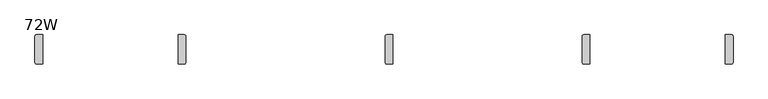
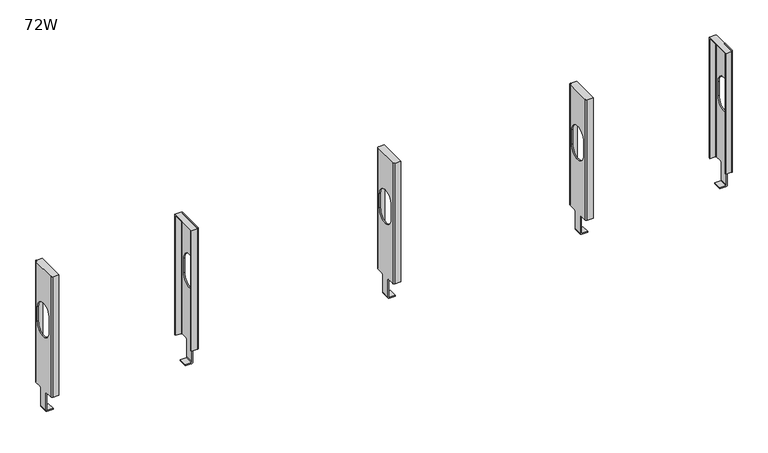
"""IFC4 building model written with IfcOpenShell, lengths in millimetres: furniture geometry, 72W."""

from ifc_helpers import new_model, si_unit, frame, origin, place, context, project, spatial, polyline, circle_curve, source, transform, mapped, element, save
from ifc_brep_helpers import plane_surface, cylinder_surface, revolved_surface, advanced_brep


def furniture_72w_48e65bd4(model_context):
    return source(origin(), model_context, "Body", "AdvancedBrep", [
        advanced_brep(
        [(936.4983333, -27.8130007, 112.7505942), (936.4983333, -27.8130007, 110.2105966), (921.512334, -27.8130007, 110.2105966), (917.4483333, -27.8130007, 114.2746018), (917.4483333, -27.8130007, 160.9597973), (919.9883309, -27.8130007, 160.9597973), (919.9883309, -27.8130007, 114.2746018), (921.512334, -27.8130007, 112.7505942), (936.4983333, -49.6569981, 112.7505942), (921.512334, -49.6569981, 112.7505942), (919.9883309, -49.6569981, 114.2746018), (919.9883309, -49.6569981, 160.9597973), (917.4483333, -49.6569981, 160.9597973), (917.4483333, -49.6569981, 114.2746018), (921.512334, -49.6569981, 110.2105966), (936.4983333, -49.6569981, 110.2105966), (919.9883309, -24.7650014, 164.0077944), (919.9883309, -6.2864997, 164.0077944), (919.9883309, -6.2864985, 487.9473667), (919.9883309, -71.1835002, 487.9473667), (919.9883309, -71.1835002, 164.0077944), (919.9883309, -52.7049997, 164.0077944), (919.9883309, -64.1349979, 370.457309), (919.9883309, -13.3349998, 370.457309), (919.9883309, -13.3349998, 332.4494726), (919.9883309, -64.1349979, 332.4494726), (917.4483333, -52.7049997, 164.0077944), (917.4483333, -71.1835002, 164.0077944), (917.4483333, -71.1835002, 488.2388031), (917.4483333, -6.2864997, 488.2388031), (917.4483333, -6.2864985, 164.0077944), (917.4483333, -24.7650014, 164.0077944), (917.4483333, -64.1349979, 370.457309), (917.4483333, -64.1349979, 332.4494726), (917.4483333, -13.3349998, 332.4494726), (917.4483333, -13.3349998, 370.457309), (921.512334, -2.2224979, 164.0077944), (936.4983333, -2.2224979, 164.0077944), (936.4983333, -4.7624955, 164.0077944), (921.512334, -4.7624955, 164.0077944), (921.512334, -75.2475009, 488.2388031), (936.4983333, -75.2475009, 488.2388031), (936.4983333, -2.2224979, 488.2388031), (921.512334, -2.2224979, 488.2388031), (921.512334, -72.7075033, 164.0077944), (936.4983333, -72.7075033, 164.0077944), (936.4983333, -75.2475009, 164.0077944), (921.512334, -75.2475009, 164.0077944), (921.512334, -72.7075033, 487.9473667), (936.4983333, -72.7075033, 487.9473667), (936.4983333, -4.7624955, 487.9473667), (921.512334, -4.7624955, 487.9473667)],
        [
            (0, 1),
            (1, 2),
            (2, 3, circle_curve(frame((921.512334, -27.8130007, 114.2745973), z_axis=(0.0, 1.0, 0.0), x_axis=(1.0, 0.0, 0.0)), 4.0640007)),
            (3, 4),
            (4, 5),
            (5, 6),
            (6, 7),
            (7, 0),
            (8, 9),
            (9, 10),
            (10, 11),
            (11, 12),
            (12, 13),
            (13, 14, circle_curve(frame((921.512334, -49.6569981, 114.2745973), z_axis=(0.0, -1.0, 0.0), x_axis=(1.0, 0.0, 0.0)), 4.0640007)),
            (14, 15),
            (15, 8),
            (7, 9),
            (8, 0),
            (6, 10),
            (1, 15),
            (14, 2),
            (5, 16),
            (16, 17),
            (17, 18),
            (18, 19),
            (19, 20),
            (20, 21),
            (21, 11),
            (22, 23, circle_curve(frame((919.9883309, -38.7349988, 370.457309), z_axis=(-1.0, 0.0, 0.0), x_axis=(0.0, -1.0, 0.0)), 25.3999991)),
            (23, 24),
            (24, 25, circle_curve(frame((919.9883309, -38.7349988, 332.4494726), z_axis=(-1.0, 0.0, 0.0), x_axis=(0.0, -1.0, 0.0)), 25.3999991)),
            (25, 22),
            (12, 26),
            (26, 27),
            (27, 28),
            (28, 29),
            (29, 30),
            (30, 31),
            (31, 4),
            (3, 13),
            (32, 33),
            (33, 34, circle_curve(frame((917.4483333, -38.7349988, 332.4494726), z_axis=(1.0, 0.0, 0.0), x_axis=(0.0, -1.0, 0.0)), 25.3999991)),
            (34, 35),
            (35, 32, circle_curve(frame((917.4483333, -38.7349988, 370.457309), z_axis=(1.0, 0.0, 0.0), x_axis=(0.0, -1.0, 0.0)), 25.3999991)),
            (31, 16),
            (30, 36, circle_curve(frame((921.512334, -6.2864985, 164.0077944), z_axis=(0.0, 0.0, -1.0), x_axis=(1.0, 0.0, 0.0)), 4.0640007)),
            (36, 37),
            (37, 38),
            (38, 39),
            (39, 17),
            (28, 40, circle_curve(frame((921.512334, -71.1835002, 488.2388031), z_axis=(0.0, 0.0, 1.0), x_axis=(1.0, 0.0, 0.0)), 4.0640007)),
            (40, 41),
            (41, 42),
            (42, 43),
            (43, 29, circle_curve(frame((921.512334, -6.2864985, 488.2388031), z_axis=(0.0, 0.0, 1.0), x_axis=(1.0, 0.0, 0.0)), 4.0640007)),
            (20, 44),
            (44, 45),
            (45, 46),
            (46, 47),
            (47, 27, circle_curve(frame((921.512334, -71.1835002, 164.0077944), z_axis=(0.0, 0.0, -1.0), x_axis=(1.0, 0.0, 0.0)), 4.0640007)),
            (26, 21),
            (23, 35),
            (34, 24),
            (25, 33),
            (32, 22),
            (44, 48),
            (48, 49),
            (49, 45),
            (19, 48),
            (46, 41),
            (40, 47),
            (49, 50),
            (50, 38),
            (37, 42),
            (50, 51),
            (51, 39),
            (51, 18),
            (36, 43),
        ],
        [
            plane_surface(frame((921.512334, -27.8130007, 112.7505942), z_axis=(0.0, 1.0, 0.0), x_axis=(1.0, 0.0, 0.0))),
            plane_surface(frame((921.512334, -49.6569981, 112.7505942), z_axis=(0.0, -1.0, 0.0), x_axis=(-1.0, 0.0, 0.0))),
            plane_surface(frame((936.4983333, -49.6569981, 112.7505942), z_axis=(0.0, 0.0, 1.0), x_axis=(0.0, 1.0, 0.0))),
            plane_surface(frame((921.512334, -49.6569981, 112.7505942), z_axis=(0.7071078348532698, 0.0, 0.7071057275182553), x_axis=(0.0, 1.0, 0.0))),
            plane_surface(frame((921.512334, -49.6569981, 110.2105966), z_axis=(0.0, 0.0, -1.0), x_axis=(0.0, 1.0, 0.0))),
            plane_surface(frame((936.4983333, -49.6569981, 110.2105966), z_axis=(1.0, 0.0, 0.0), x_axis=(0.0, 1.0, 0.0))),
            plane_surface(frame((919.9883309, -27.8130007, 114.2746018), z_axis=(1.0, 0.0, 0.0), x_axis=(0.0, 1.0, 0.0))),
            plane_surface(frame((917.4483333, -27.8130007, 114.2746018), z_axis=(-1.0, 0.0, 0.0), x_axis=(0.0, -1.0, 0.0))),
            plane_surface(frame((919.9883309, -27.8130007, 160.9597973), z_axis=(0.0, 0.7071065177685422, -0.7071070446044547), x_axis=(-1.0, 0.0, 0.0))),
            plane_surface(frame((919.9883309, -24.7650014, 164.0077944), z_axis=(0.0, 0.0, -1.0), x_axis=(-1.0, 0.0, 0.0))),
            plane_surface(frame((919.9883309, -6.2864997, 488.2388031), z_axis=(0.0, 0.0, 1.0), x_axis=(-1.0, 0.0, 0.0))),
            plane_surface(frame((919.9883309, -71.1835002, 164.0077944), z_axis=(0.0, 0.0, -1.0), x_axis=(-1.0, 0.0, 0.0))),
            plane_surface(frame((919.9883309, -52.7049997, 164.0077944), z_axis=(0.0, -0.707106254350635, -0.7071073080220677), x_axis=(-1.0, 0.0, 0.0))),
            plane_surface(frame((919.9883309, -13.3349998, 370.457309), z_axis=(0.0, -1.0, 0.0), x_axis=(-1.0, 0.0, 0.0))),
            plane_surface(frame((919.9883309, -64.1349979, 332.4494726), z_axis=(0.0, 1.0, 0.0), x_axis=(-1.0, 0.0, 0.0))),
            plane_surface(frame((936.4983333, -72.7075033, 488.2388031), z_axis=(0.0, 1.0, 0.0), x_axis=(0.0, 0.0, -1.0))),
            plane_surface(frame((921.512334, -72.7075033, 488.2388031), z_axis=(0.7071067811865476, 0.7071067811865476, 0.0), x_axis=(0.0, 0.0, -1.0))),
            plane_surface(frame((921.512334, -75.2475009, 488.2388031), z_axis=(0.0, -1.0, 0.0), x_axis=(0.0, 0.0, -1.0))),
            plane_surface(frame((936.4983333, -75.2475009, 488.2388031), z_axis=(1.0, 0.0, 0.0), x_axis=(0.0, 0.0, -1.0))),
            plane_surface(frame((921.512334, -4.7624955, 488.2388031), z_axis=(0.0, -1.0, 0.0), x_axis=(0.0, 0.0, -1.0))),
            plane_surface(frame((919.9883309, -6.2864985, 488.2388031), z_axis=(0.7071067811865422, -0.7071067811865528, 0.0), x_axis=(0.0, 0.0, -1.0))),
            plane_surface(frame((936.4983333, -2.2224979, 488.2388031), z_axis=(0.0, 1.0, 0.0), x_axis=(0.0, 0.0, -1.0))),
            plane_surface(frame((936.4983333, -72.7075033, 487.9473667), z_axis=(0.0, 0.0, -1.0), x_axis=(-1.0, 0.0, 0.0))),
            cylinder_surface(frame((921.512334, -71.1835002, 164.0077944), z_axis=(0.0, 0.0, 1.0), x_axis=(1.0, 0.0, 0.0)), 4.0640007),
            cylinder_surface(frame((921.512334, -6.2864985, 164.0077944), z_axis=(0.0, 0.0, 1.0), x_axis=(1.0, 0.0, 0.0)), 4.0640007),
            revolved_surface(polyline([(917.4483333, -64.1349979, 370.457309), (919.9883309, -64.1349979, 370.457309)]), (917.4483333, -38.7349988, 370.457309), (-1.0, 0.0, 0.0)),
            revolved_surface(polyline([(917.4483333, -64.1349979, 332.4494726), (919.9883309, -64.1349979, 332.4494726)]), (917.4483333, -38.7349988, 332.4494726), (-1.0, 0.0, 0.0)),
            cylinder_surface(frame((921.512334, -27.8130007, 114.2745973), z_axis=(0.0, -1.0, 0.0), x_axis=(1.0, 0.0, 0.0)), 4.0640007),
        ],
        [
            (0, [[1, 2, 3, 4, 5, 6, 7, 8]]),
            (1, [[9, 10, 11, 12, 13, 14, 15, 16]]),
            (2, [[-8, 17, -9, 18]]),
            (3, [[-7, 19, -10, -17]]),
            (4, [[-2, 20, -15, 21]]),
            (5, [[-1, -18, -16, -20]]),
            (6, [[-6, 22, 23, 24, 25, 26, 27, 28, -11, -19], [29, 30, 31, 32]]),
            (7, [[-13, 33, 34, 35, 36, 37, 38, 39, -4, 40], [41, 42, 43, 44]]),
            (8, [[-22, -5, -39, 45]]),
            (9, [[-23, -45, -38, 46, 47, 48, 49, 50]]),
            (10, [[-36, 51, 52, 53, 54, 55]]),
            (11, [[-27, 56, 57, 58, 59, 60, -34, 61]]),
            (12, [[-28, -61, -33, -12]]),
            (13, [[-30, 62, -43, 63]]),
            (14, [[-32, 64, -41, 65]]),
            (15, [[-57, 66, 67, 68]]),
            (16, [[-56, -26, 69, -66]]),
            (17, [[-59, 70, -52, 71]]),
            (18, [[-58, -68, 72, 73, -48, 74, -53, -70]]),
            (19, [[-49, -73, 75, 76]]),
            (20, [[-50, -76, 77, -24]]),
            (21, [[-47, 78, -54, -74]]),
            (22, [[-72, -67, -69, -25, -77, -75]]),
            (23, [[-60, -71, -51, -35]]),
            (24, [[-46, -37, -55, -78]]),
            (25, [[-29, -65, -44, -62]]),
            (26, [[-31, -63, -42, -64]]),
            (27, [[-3, -21, -14, -40]]),
        ],
    ),
        advanced_brep(
        [(1425.8293333, -27.8130007, 112.7505942), (1425.8293333, -27.8130007, 110.2105966), (1410.843334, -27.8130007, 110.2105966), (1406.7793333, -27.8130007, 114.2746018), (1406.7793333, -27.8130007, 160.9597973), (1409.3193309, -27.8130007, 160.9597973), (1409.3193309, -27.8130007, 114.2746018), (1410.843334, -27.8130007, 112.7505942), (1425.8293333, -49.6569981, 112.7505942), (1410.843334, -49.6569981, 112.7505942), (1409.3193309, -49.6569981, 114.2746018), (1409.3193309, -49.6569981, 160.9597973), (1406.7793333, -49.6569981, 160.9597973), (1406.7793333, -49.6569981, 114.2746018), (1410.843334, -49.6569981, 110.2105966), (1425.8293333, -49.6569981, 110.2105966), (1409.3193309, -24.7650014, 164.0077944), (1409.3193309, -6.2864997, 164.0077944), (1409.3193309, -6.2864985, 487.9473667), (1409.3193309, -71.1835002, 487.9473667), (1409.3193309, -71.1835002, 164.0077944), (1409.3193309, -52.7049997, 164.0077944), (1409.3193309, -64.1349979, 370.457309), (1409.3193309, -13.3349998, 370.457309), (1409.3193309, -13.3349998, 332.4494726), (1409.3193309, -64.1349979, 332.4494726), (1406.7793333, -52.7049997, 164.0077944), (1406.7793333, -71.1835002, 164.0077944), (1406.7793333, -71.1835002, 488.2388031), (1406.7793333, -6.2864997, 488.2388031), (1406.7793333, -6.2864985, 164.0077944), (1406.7793333, -24.7650014, 164.0077944), (1406.7793333, -64.1349979, 370.457309), (1406.7793333, -64.1349979, 332.4494726), (1406.7793333, -13.3349998, 332.4494726), (1406.7793333, -13.3349998, 370.457309), (1410.843334, -2.2224979, 164.0077944), (1425.8293333, -2.2224979, 164.0077944), (1425.8293333, -4.7624955, 164.0077944), (1410.843334, -4.7624955, 164.0077944), (1410.843334, -75.2475009, 488.2388031), (1425.8293333, -75.2475009, 488.2388031), (1425.8293333, -2.2224979, 488.2388031), (1410.843334, -2.2224979, 488.2388031), (1410.843334, -72.7075033, 164.0077944), (1425.8293333, -72.7075033, 164.0077944), (1425.8293333, -75.2475009, 164.0077944), (1410.843334, -75.2475009, 164.0077944), (1410.843334, -72.7075033, 487.9473667), (1425.8293333, -72.7075033, 487.9473667), (1425.8293333, -4.7624955, 487.9473667), (1410.843334, -4.7624955, 487.9473667)],
        [
            (0, 1),
            (1, 2),
            (2, 3, circle_curve(frame((1410.843334, -27.8130007, 114.2745973), z_axis=(0.0, 1.0, 0.0), x_axis=(1.0, 0.0, 0.0)), 4.0640007)),
            (3, 4),
            (4, 5),
            (5, 6),
            (6, 7),
            (7, 0),
            (8, 9),
            (9, 10),
            (10, 11),
            (11, 12),
            (12, 13),
            (13, 14, circle_curve(frame((1410.843334, -49.6569981, 114.2745973), z_axis=(0.0, -1.0, 0.0), x_axis=(1.0, 0.0, 0.0)), 4.0640007)),
            (14, 15),
            (15, 8),
            (7, 9),
            (8, 0),
            (6, 10),
            (1, 15),
            (14, 2),
            (5, 16),
            (16, 17),
            (17, 18),
            (18, 19),
            (19, 20),
            (20, 21),
            (21, 11),
            (22, 23, circle_curve(frame((1409.3193309, -38.7349988, 370.457309), z_axis=(-1.0, 0.0, 0.0), x_axis=(0.0, -1.0, 0.0)), 25.3999991)),
            (23, 24),
            (24, 25, circle_curve(frame((1409.3193309, -38.7349988, 332.4494726), z_axis=(-1.0, 0.0, 0.0), x_axis=(0.0, -1.0, 0.0)), 25.3999991)),
            (25, 22),
            (12, 26),
            (26, 27),
            (27, 28),
            (28, 29),
            (29, 30),
            (30, 31),
            (31, 4),
            (3, 13),
            (32, 33),
            (33, 34, circle_curve(frame((1406.7793333, -38.7349988, 332.4494726), z_axis=(1.0, 0.0, 0.0), x_axis=(0.0, -1.0, 0.0)), 25.3999991)),
            (34, 35),
            (35, 32, circle_curve(frame((1406.7793333, -38.7349988, 370.457309), z_axis=(1.0, 0.0, 0.0), x_axis=(0.0, -1.0, 0.0)), 25.3999991)),
            (31, 16),
            (30, 36, circle_curve(frame((1410.843334, -6.2864985, 164.0077944), z_axis=(0.0, 0.0, -1.0), x_axis=(1.0, 0.0, 0.0)), 4.0640007)),
            (36, 37),
            (37, 38),
            (38, 39),
            (39, 17),
            (28, 40, circle_curve(frame((1410.843334, -71.1835002, 488.2388031), z_axis=(0.0, 0.0, 1.0), x_axis=(1.0, 0.0, 0.0)), 4.0640007)),
            (40, 41),
            (41, 42),
            (42, 43),
            (43, 29, circle_curve(frame((1410.843334, -6.2864985, 488.2388031), z_axis=(0.0, 0.0, 1.0), x_axis=(1.0, 0.0, 0.0)), 4.0640007)),
            (20, 44),
            (44, 45),
            (45, 46),
            (46, 47),
            (47, 27, circle_curve(frame((1410.843334, -71.1835002, 164.0077944), z_axis=(0.0, 0.0, -1.0), x_axis=(1.0, 0.0, 0.0)), 4.0640007)),
            (26, 21),
            (23, 35),
            (34, 24),
            (25, 33),
            (32, 22),
            (44, 48),
            (48, 49),
            (49, 45),
            (19, 48),
            (46, 41),
            (40, 47),
            (49, 50),
            (50, 38),
            (37, 42),
            (50, 51),
            (51, 39),
            (51, 18),
            (36, 43),
        ],
        [
            plane_surface(frame((1410.843334, -27.8130007, 112.7505942), z_axis=(0.0, 1.0, 0.0), x_axis=(1.0, 0.0, 0.0))),
            plane_surface(frame((1410.843334, -49.6569981, 112.7505942), z_axis=(0.0, -1.0, 0.0), x_axis=(-1.0, 0.0, 0.0))),
            plane_surface(frame((1425.8293333, -49.6569981, 112.7505942), z_axis=(0.0, 0.0, 1.0), x_axis=(0.0, 1.0, 0.0))),
            plane_surface(frame((1410.843334, -49.6569981, 112.7505942), z_axis=(0.7071078348532698, 0.0, 0.7071057275182553), x_axis=(0.0, 1.0, 0.0))),
            plane_surface(frame((1410.843334, -49.6569981, 110.2105966), z_axis=(0.0, 0.0, -1.0), x_axis=(0.0, 1.0, 0.0))),
            plane_surface(frame((1425.8293333, -49.6569981, 110.2105966), z_axis=(1.0, 0.0, 0.0), x_axis=(0.0, 1.0, 0.0))),
            plane_surface(frame((1409.3193309, -27.8130007, 114.2746018), z_axis=(1.0, 0.0, 0.0), x_axis=(0.0, 1.0, 0.0))),
            plane_surface(frame((1406.7793333, -27.8130007, 114.2746018), z_axis=(-1.0, 0.0, 0.0), x_axis=(0.0, -1.0, 0.0))),
            plane_surface(frame((1409.3193309, -27.8130007, 160.9597973), z_axis=(0.0, 0.7071065177685422, -0.7071070446044547), x_axis=(-1.0, 0.0, 0.0))),
            plane_surface(frame((1409.3193309, -24.7650014, 164.0077944), z_axis=(0.0, 0.0, -1.0), x_axis=(-1.0, 0.0, 0.0))),
            plane_surface(frame((1409.3193309, -6.2864997, 488.2388031), z_axis=(0.0, 0.0, 1.0), x_axis=(-1.0, 0.0, 0.0))),
            plane_surface(frame((1409.3193309, -71.1835002, 164.0077944), z_axis=(0.0, 0.0, -1.0), x_axis=(-1.0, 0.0, 0.0))),
            plane_surface(frame((1409.3193309, -52.7049997, 164.0077944), z_axis=(0.0, -0.707106254350635, -0.7071073080220677), x_axis=(-1.0, 0.0, 0.0))),
            plane_surface(frame((1409.3193309, -13.3349998, 370.457309), z_axis=(0.0, -1.0, 0.0), x_axis=(-1.0, 0.0, 0.0))),
            plane_surface(frame((1409.3193309, -64.1349979, 332.4494726), z_axis=(0.0, 1.0, 0.0), x_axis=(-1.0, 0.0, 0.0))),
            plane_surface(frame((1425.8293333, -72.7075033, 488.2388031), z_axis=(0.0, 1.0, 0.0), x_axis=(0.0, 0.0, -1.0))),
            plane_surface(frame((1410.843334, -72.7075033, 488.2388031), z_axis=(0.7071067811865476, 0.7071067811865476, 0.0), x_axis=(0.0, 0.0, -1.0))),
            plane_surface(frame((1410.843334, -75.2475009, 488.2388031), z_axis=(0.0, -1.0, 0.0), x_axis=(0.0, 0.0, -1.0))),
            plane_surface(frame((1425.8293333, -75.2475009, 488.2388031), z_axis=(1.0, 0.0, 0.0), x_axis=(0.0, 0.0, -1.0))),
            plane_surface(frame((1410.843334, -4.7624955, 488.2388031), z_axis=(0.0, -1.0, 0.0), x_axis=(0.0, 0.0, -1.0))),
            plane_surface(frame((1409.3193309, -6.2864985, 488.2388031), z_axis=(0.7071067811865422, -0.7071067811865528, 0.0), x_axis=(0.0, 0.0, -1.0))),
            plane_surface(frame((1425.8293333, -2.2224979, 488.2388031), z_axis=(0.0, 1.0, 0.0), x_axis=(0.0, 0.0, -1.0))),
            plane_surface(frame((1425.8293333, -72.7075033, 487.9473667), z_axis=(0.0, 0.0, -1.0), x_axis=(-1.0, 0.0, 0.0))),
            cylinder_surface(frame((1410.843334, -71.1835002, 164.0077944), z_axis=(0.0, 0.0, 1.0), x_axis=(1.0, 0.0, 0.0)), 4.0640007),
            cylinder_surface(frame((1410.843334, -6.2864985, 164.0077944), z_axis=(0.0, 0.0, 1.0), x_axis=(1.0, 0.0, 0.0)), 4.0640007),
            revolved_surface(polyline([(1406.7793333, -64.1349979, 370.457309), (1409.3193309, -64.1349979, 370.457309)]), (1406.7793333, -38.7349988, 370.457309), (-1.0, 0.0, 0.0)),
            revolved_surface(polyline([(1406.7793333, -64.1349979, 332.4494726), (1409.3193309, -64.1349979, 332.4494726)]), (1406.7793333, -38.7349988, 332.4494726), (-1.0, 0.0, 0.0)),
            cylinder_surface(frame((1410.843334, -27.8130007, 114.2745973), z_axis=(0.0, -1.0, 0.0), x_axis=(1.0, 0.0, 0.0)), 4.0640007),
        ],
        [
            (0, [[1, 2, 3, 4, 5, 6, 7, 8]]),
            (1, [[9, 10, 11, 12, 13, 14, 15, 16]]),
            (2, [[-8, 17, -9, 18]]),
            (3, [[-7, 19, -10, -17]]),
            (4, [[-2, 20, -15, 21]]),
            (5, [[-1, -18, -16, -20]]),
            (6, [[-6, 22, 23, 24, 25, 26, 27, 28, -11, -19], [29, 30, 31, 32]]),
            (7, [[-13, 33, 34, 35, 36, 37, 38, 39, -4, 40], [41, 42, 43, 44]]),
            (8, [[-22, -5, -39, 45]]),
            (9, [[-23, -45, -38, 46, 47, 48, 49, 50]]),
            (10, [[-36, 51, 52, 53, 54, 55]]),
            (11, [[-27, 56, 57, 58, 59, 60, -34, 61]]),
            (12, [[-28, -61, -33, -12]]),
            (13, [[-30, 62, -43, 63]]),
            (14, [[-32, 64, -41, 65]]),
            (15, [[-57, 66, 67, 68]]),
            (16, [[-56, -26, 69, -66]]),
            (17, [[-59, 70, -52, 71]]),
            (18, [[-58, -68, 72, 73, -48, 74, -53, -70]]),
            (19, [[-49, -73, 75, 76]]),
            (20, [[-50, -76, 77, -24]]),
            (21, [[-47, 78, -54, -74]]),
            (22, [[-72, -67, -69, -25, -77, -75]]),
            (23, [[-60, -71, -51, -35]]),
            (24, [[-46, -37, -55, -78]]),
            (25, [[-29, -65, -44, -62]]),
            (26, [[-31, -63, -42, -64]]),
            (27, [[-3, -21, -14, -40]]),
        ],
    ),
        advanced_brep(
        [(1762.3790014, -27.8130007, 112.7505942), (1777.3650008, -27.8130007, 112.7505942), (1778.8890039, -27.8130007, 114.2746018), (1778.8890039, -27.8130007, 160.9597973), (1781.4290014, -27.8130007, 160.9597973), (1781.4290014, -27.8130007, 114.2746018), (1777.3650008, -27.8130007, 110.2105966), (1762.3790014, -27.8130007, 110.2105966), (1762.3790014, -49.6569981, 112.7505942), (1762.3790014, -49.6569981, 110.2105966), (1777.3650008, -49.6569981, 110.2105966), (1781.4290014, -49.6569981, 114.2746018), (1781.4290014, -49.6569981, 160.9597973), (1778.8890039, -49.6569981, 160.9597973), (1778.8890039, -49.6569981, 114.2746018), (1777.3650008, -49.6569981, 112.7505942), (1778.8890039, -52.7049997, 164.0077944), (1778.8890039, -71.1835002, 164.0077944), (1778.8890039, -71.1835002, 487.9473667), (1778.8890039, -6.2864985, 487.9473667), (1778.8890039, -6.2864985, 164.0077944), (1778.8890039, -24.7650014, 164.0077944), (1778.8890039, -64.1349979, 370.457309), (1778.8890039, -64.1349979, 332.4494726), (1778.8890039, -13.3349998, 332.4494726), (1778.8890039, -13.3349998, 370.457309), (1781.4290014, -24.7650014, 164.0077944), (1781.4290014, -6.2864997, 164.0077944), (1781.4290014, -6.2864985, 488.2388031), (1781.4290014, -71.1835002, 488.2388031), (1781.4290014, -71.1835002, 164.0077944), (1781.4290014, -52.7049997, 164.0077944), (1781.4290014, -64.1349979, 370.457309), (1781.4290014, -13.3349998, 370.457309), (1781.4290014, -13.3349998, 332.4494726), (1781.4290014, -64.1349979, 332.4494726), (1777.3650008, -4.7624955, 164.0077944), (1762.3790014, -4.7624955, 164.0077944), (1762.3790014, -2.2224979, 164.0077944), (1777.3650008, -2.2224979, 164.0077944), (1777.3650008, -2.2224979, 488.2388031), (1762.3790014, -2.2224979, 488.2388031), (1762.3790014, -75.2475009, 488.2388031), (1777.3650008, -75.2475009, 488.2388031), (1777.3650008, -75.2475009, 164.0077944), (1762.3790014, -75.2475009, 164.0077944), (1762.3790014, -72.7075033, 164.0077944), (1777.3650008, -72.7075033, 164.0077944), (1762.3790014, -72.7075033, 487.9473667), (1777.3650008, -72.7075033, 487.9473667), (1762.3790014, -4.7624955, 487.9473667), (1777.3650008, -4.7624955, 487.9473667)],
        [
            (0, 1),
            (1, 2),
            (2, 3),
            (3, 4),
            (4, 5),
            (5, 6, circle_curve(frame((1777.3650008, -27.8130007, 114.2745973), z_axis=(0.0, 1.0, 0.0), x_axis=(-1.0, 0.0, 0.0)), 4.0640007)),
            (6, 7),
            (7, 0),
            (8, 9),
            (9, 10),
            (10, 11, circle_curve(frame((1777.3650008, -49.6569981, 114.2745973), z_axis=(0.0, -1.0, 0.0), x_axis=(-1.0, 0.0, 0.0)), 4.0640007)),
            (11, 12),
            (12, 13),
            (13, 14),
            (14, 15),
            (15, 8),
            (0, 8),
            (15, 1),
            (14, 2),
            (6, 10),
            (9, 7),
            (13, 16),
            (16, 17),
            (17, 18),
            (18, 19),
            (19, 20),
            (20, 21),
            (21, 3),
            (22, 23),
            (23, 24, circle_curve(frame((1778.8890039, -38.7349988, 332.4494726), z_axis=(1.0, 0.0, 0.0), x_axis=(0.0, -1.0, 0.0)), 25.3999991)),
            (24, 25),
            (25, 22, circle_curve(frame((1778.8890039, -38.7349988, 370.457309), z_axis=(1.0, 0.0, 0.0), x_axis=(0.0, -1.0, 0.0)), 25.3999991)),
            (11, 5),
            (4, 26),
            (26, 27),
            (27, 28),
            (28, 29),
            (29, 30),
            (30, 31),
            (31, 12),
            (32, 33, circle_curve(frame((1781.4290014, -38.7349988, 370.457309), z_axis=(-1.0, 0.0, 0.0), x_axis=(0.0, -1.0, 0.0)), 25.3999991)),
            (33, 34),
            (34, 35, circle_curve(frame((1781.4290014, -38.7349988, 332.4494726), z_axis=(-1.0, 0.0, 0.0), x_axis=(0.0, -1.0, 0.0)), 25.3999991)),
            (35, 32),
            (21, 26),
            (20, 36),
            (36, 37),
            (37, 38),
            (38, 39),
            (39, 27, circle_curve(frame((1777.3650008, -6.2864985, 164.0077944), z_axis=(0.0, 0.0, -1.0), x_axis=(-1.0, 0.0, 0.0)), 4.0640007)),
            (28, 40, circle_curve(frame((1777.3650008, -6.2864985, 488.2388031), z_axis=(0.0, 0.0, 1.0), x_axis=(-1.0, 0.0, 0.0)), 4.0640007)),
            (40, 41),
            (41, 42),
            (42, 43),
            (43, 29, circle_curve(frame((1777.3650008, -71.1835002, 488.2388031), z_axis=(0.0, 0.0, 1.0), x_axis=(-1.0, 0.0, 0.0)), 4.0640007)),
            (16, 31),
            (30, 44, circle_curve(frame((1777.3650008, -71.1835002, 164.0077944), z_axis=(0.0, 0.0, -1.0), x_axis=(-1.0, 0.0, 0.0)), 4.0640007)),
            (44, 45),
            (45, 46),
            (46, 47),
            (47, 17),
            (24, 34),
            (33, 25),
            (22, 32),
            (35, 23),
            (46, 48),
            (48, 49),
            (49, 47),
            (49, 18),
            (44, 43),
            (42, 45),
            (41, 38),
            (37, 50),
            (50, 48),
            (36, 51),
            (51, 50),
            (19, 51),
            (40, 39),
        ],
        [
            plane_surface(frame((1777.3650008, -27.8130007, 112.7505942), z_axis=(0.0, 1.0, 0.0), x_axis=(-1.0, 0.0, 0.0))),
            plane_surface(frame((1777.3650008, -49.6569981, 112.7505942), z_axis=(0.0, -1.0, 0.0), x_axis=(1.0, 0.0, 0.0))),
            plane_surface(frame((1762.3790014, -49.6569981, 112.7505942), z_axis=(0.0, 0.0, 1.0), x_axis=(0.0, 1.0, 0.0))),
            plane_surface(frame((1777.3650008, -49.6569981, 112.7505942), z_axis=(-0.7071078348532684, 0.0, 0.7071057275182566), x_axis=(0.0, 1.0, 0.0))),
            plane_surface(frame((1777.3650008, -49.6569981, 110.2105966), z_axis=(0.0, 0.0, -1.0), x_axis=(0.0, 1.0, 0.0))),
            plane_surface(frame((1762.3790014, -49.6569981, 110.2105966), z_axis=(-1.0, 0.0, 0.0), x_axis=(0.0, 1.0, 0.0))),
            plane_surface(frame((1778.8890039, -27.8130007, 114.2746018), z_axis=(-1.0, 0.0, 0.0), x_axis=(0.0, 1.0, 0.0))),
            plane_surface(frame((1781.4290014, -27.8130007, 114.2746018), z_axis=(1.0, 0.0, 0.0), x_axis=(0.0, -1.0, 0.0))),
            plane_surface(frame((1778.8890039, -27.8130007, 160.9597973), z_axis=(0.0, 0.7071065177685422, -0.7071070446044547), x_axis=(1.0, 0.0, 0.0))),
            plane_surface(frame((1778.8890039, -24.7650014, 164.0077944), z_axis=(0.0, 0.0, -1.0), x_axis=(1.0, 0.0, 0.0))),
            plane_surface(frame((1778.8890039, -6.2864997, 488.2388031), z_axis=(0.0, 0.0, 1.0), x_axis=(1.0, 0.0, 0.0))),
            plane_surface(frame((1778.8890039, -71.1835002, 164.0077944), z_axis=(0.0, 0.0, -1.0), x_axis=(1.0, 0.0, 0.0))),
            plane_surface(frame((1778.8890039, -52.7049997, 164.0077944), z_axis=(0.0, -0.707106254350635, -0.7071073080220677), x_axis=(1.0, 0.0, 0.0))),
            plane_surface(frame((1778.8890039, -13.3349998, 370.457309), z_axis=(0.0, -1.0, 0.0), x_axis=(1.0, 0.0, 0.0))),
            plane_surface(frame((1778.8890039, -64.1349979, 332.4494726), z_axis=(0.0, 1.0, 0.0), x_axis=(1.0, 0.0, 0.0))),
            plane_surface(frame((1762.3790014, -72.7075033, 488.2388031), z_axis=(0.0, 1.0, 0.0), x_axis=(0.0, 0.0, -1.0))),
            plane_surface(frame((1777.3650008, -72.7075033, 488.2388031), z_axis=(-0.7071067811865476, 0.7071067811865476, 0.0), x_axis=(0.0, 0.0, -1.0))),
            plane_surface(frame((1777.3650008, -75.2475009, 488.2388031), z_axis=(0.0, -1.0, 0.0), x_axis=(0.0, 0.0, -1.0))),
            plane_surface(frame((1762.3790014, -75.2475009, 488.2388031), z_axis=(-1.0, 0.0, 0.0), x_axis=(0.0, 0.0, -1.0))),
            plane_surface(frame((1777.3650008, -4.7624955, 488.2388031), z_axis=(0.0, -1.0, 0.0), x_axis=(0.0, 0.0, -1.0))),
            plane_surface(frame((1778.8890039, -6.2864985, 488.2388031), z_axis=(-0.7071067811865422, -0.7071067811865528, 0.0), x_axis=(0.0, 0.0, -1.0))),
            plane_surface(frame((1762.3790014, -2.2224979, 488.2388031), z_axis=(0.0, 1.0, 0.0), x_axis=(0.0, 0.0, -1.0))),
            plane_surface(frame((1762.3790014, -72.7075033, 487.9473667), z_axis=(0.0, 0.0, -1.0), x_axis=(1.0, 0.0, 0.0))),
            cylinder_surface(frame((1777.3650008, -71.1835002, 164.0077944), z_axis=(0.0, 0.0, 1.0), x_axis=(-1.0, 0.0, 0.0)), 4.0640007),
            cylinder_surface(frame((1777.3650008, -6.2864985, 164.0077944), z_axis=(0.0, 0.0, 1.0), x_axis=(-1.0, 0.0, 0.0)), 4.0640007),
            revolved_surface(polyline([(1781.4290014, -64.1349979, 370.457309), (1778.8890039, -64.1349979, 370.457309)]), (1781.4290014, -38.7349988, 370.457309), (1.0, 0.0, 0.0)),
            revolved_surface(polyline([(1781.4290014, -64.1349979, 332.4494726), (1778.8890039, -64.1349979, 332.4494726)]), (1781.4290014, -38.7349988, 332.4494726), (1.0, 0.0, 0.0)),
            cylinder_surface(frame((1777.3650008, -27.8130007, 114.2745973), z_axis=(0.0, -1.0, 0.0), x_axis=(-1.0, 0.0, 0.0)), 4.0640007),
        ],
        [
            (0, [[1, 2, 3, 4, 5, 6, 7, 8]]),
            (1, [[9, 10, 11, 12, 13, 14, 15, 16]]),
            (2, [[17, -16, 18, -1]]),
            (3, [[-18, -15, 19, -2]]),
            (4, [[20, -10, 21, -7]]),
            (5, [[-21, -9, -17, -8]]),
            (6, [[-19, -14, 22, 23, 24, 25, 26, 27, 28, -3], [29, 30, 31, 32]]),
            (7, [[33, -5, 34, 35, 36, 37, 38, 39, 40, -12], [41, 42, 43, 44]]),
            (8, [[45, -34, -4, -28]]),
            (9, [[46, 47, 48, 49, 50, -35, -45, -27]]),
            (10, [[51, 52, 53, 54, 55, -37]]),
            (11, [[56, -39, 57, 58, 59, 60, 61, -23]]),
            (12, [[-13, -40, -56, -22]]),
            (13, [[62, -42, 63, -31]]),
            (14, [[64, -44, 65, -29]]),
            (15, [[66, 67, 68, -60]]),
            (16, [[-68, 69, -24, -61]]),
            (17, [[70, -54, 71, -58]]),
            (18, [[-71, -53, 72, -48, 73, 74, -66, -59]]),
            (19, [[75, 76, -73, -47]]),
            (20, [[-26, 77, -75, -46]]),
            (21, [[-72, -52, 78, -49]]),
            (22, [[-76, -77, -25, -69, -67, -74]]),
            (23, [[-38, -55, -70, -57]]),
            (24, [[-78, -51, -36, -50]]),
            (25, [[-63, -41, -64, -32]]),
            (26, [[-65, -43, -62, -30]]),
            (27, [[-33, -11, -20, -6]]),
        ],
    ),
        advanced_brep(
        [(402.9713333, -27.8130007, 112.7505942), (417.9573326, -27.8130007, 112.7505942), (419.4813357, -27.8130007, 114.2746018), (419.4813357, -27.8130007, 160.9597973), (422.0213333, -27.8130007, 160.9597973), (422.0213333, -27.8130007, 114.2746018), (417.9573326, -27.8130007, 110.2105966), (402.9713333, -27.8130007, 110.2105966), (402.9713333, -49.6569981, 112.7505942), (402.9713333, -49.6569981, 110.2105966), (417.9573326, -49.6569981, 110.2105966), (422.0213333, -49.6569981, 114.2746018), (422.0213333, -49.6569981, 160.9597973), (419.4813357, -49.6569981, 160.9597973), (419.4813357, -49.6569981, 114.2746018), (417.9573326, -49.6569981, 112.7505942), (419.4813357, -52.7049997, 164.0077944), (419.4813357, -71.1835002, 164.0077944), (419.4813357, -71.1835002, 487.9473667), (419.4813357, -6.2864985, 487.9473667), (419.4813357, -6.2864985, 164.0077944), (419.4813357, -24.7650014, 164.0077944), (419.4813357, -64.1349979, 370.457309), (419.4813357, -64.1349979, 332.4494726), (419.4813357, -13.3349998, 332.4494726), (419.4813357, -13.3349998, 370.457309), (422.0213333, -24.7650014, 164.0077944), (422.0213333, -6.2864997, 164.0077944), (422.0213333, -6.2864985, 488.2388031), (422.0213333, -71.1835002, 488.2388031), (422.0213333, -71.1835002, 164.0077944), (422.0213333, -52.7049997, 164.0077944), (422.0213333, -64.1349979, 370.457309), (422.0213333, -13.3349998, 370.457309), (422.0213333, -13.3349998, 332.4494726), (422.0213333, -64.1349979, 332.4494726), (417.9573326, -4.7624955, 164.0077944), (402.9713333, -4.7624955, 164.0077944), (402.9713333, -2.2224979, 164.0077944), (417.9573326, -2.2224979, 164.0077944), (417.9573326, -2.2224979, 488.2388031), (402.9713333, -2.2224979, 488.2388031), (402.9713333, -75.2475009, 488.2388031), (417.9573326, -75.2475009, 488.2388031), (417.9573326, -75.2475009, 164.0077944), (402.9713333, -75.2475009, 164.0077944), (402.9713333, -72.7075033, 164.0077944), (417.9573326, -72.7075033, 164.0077944), (402.9713333, -72.7075033, 487.9473667), (417.9573326, -72.7075033, 487.9473667), (402.9713333, -4.7624955, 487.9473667), (417.9573326, -4.7624955, 487.9473667)],
        [
            (0, 1),
            (1, 2),
            (2, 3),
            (3, 4),
            (4, 5),
            (5, 6, circle_curve(frame((417.9573326, -27.8130007, 114.2745973), z_axis=(0.0, 1.0, 0.0), x_axis=(-1.0, 0.0, 0.0)), 4.0640007)),
            (6, 7),
            (7, 0),
            (8, 9),
            (9, 10),
            (10, 11, circle_curve(frame((417.9573326, -49.6569981, 114.2745973), z_axis=(0.0, -1.0, 0.0), x_axis=(-1.0, 0.0, 0.0)), 4.0640007)),
            (11, 12),
            (12, 13),
            (13, 14),
            (14, 15),
            (15, 8),
            (0, 8),
            (15, 1),
            (14, 2),
            (6, 10),
            (9, 7),
            (13, 16),
            (16, 17),
            (17, 18),
            (18, 19),
            (19, 20),
            (20, 21),
            (21, 3),
            (22, 23),
            (23, 24, circle_curve(frame((419.4813357, -38.7349988, 332.4494726), z_axis=(1.0, 0.0, 0.0), x_axis=(0.0, -1.0, 0.0)), 25.3999991)),
            (24, 25),
            (25, 22, circle_curve(frame((419.4813357, -38.7349988, 370.457309), z_axis=(1.0, 0.0, 0.0), x_axis=(0.0, -1.0, 0.0)), 25.3999991)),
            (11, 5),
            (4, 26),
            (26, 27),
            (27, 28),
            (28, 29),
            (29, 30),
            (30, 31),
            (31, 12),
            (32, 33, circle_curve(frame((422.0213333, -38.7349988, 370.457309), z_axis=(-1.0, 0.0, 0.0), x_axis=(0.0, -1.0, 0.0)), 25.3999991)),
            (33, 34),
            (34, 35, circle_curve(frame((422.0213333, -38.7349988, 332.4494726), z_axis=(-1.0, 0.0, 0.0), x_axis=(0.0, -1.0, 0.0)), 25.3999991)),
            (35, 32),
            (21, 26),
            (20, 36),
            (36, 37),
            (37, 38),
            (38, 39),
            (39, 27, circle_curve(frame((417.9573326, -6.2864985, 164.0077944), z_axis=(0.0, 0.0, -1.0), x_axis=(-1.0, 0.0, 0.0)), 4.0640007)),
            (28, 40, circle_curve(frame((417.9573326, -6.2864985, 488.2388031), z_axis=(0.0, 0.0, 1.0), x_axis=(-1.0, 0.0, 0.0)), 4.0640007)),
            (40, 41),
            (41, 42),
            (42, 43),
            (43, 29, circle_curve(frame((417.9573326, -71.1835002, 488.2388031), z_axis=(0.0, 0.0, 1.0), x_axis=(-1.0, 0.0, 0.0)), 4.0640007)),
            (16, 31),
            (30, 44, circle_curve(frame((417.9573326, -71.1835002, 164.0077944), z_axis=(0.0, 0.0, -1.0), x_axis=(-1.0, 0.0, 0.0)), 4.0640007)),
            (44, 45),
            (45, 46),
            (46, 47),
            (47, 17),
            (24, 34),
            (33, 25),
            (22, 32),
            (35, 23),
            (46, 48),
            (48, 49),
            (49, 47),
            (49, 18),
            (44, 43),
            (42, 45),
            (41, 38),
            (37, 50),
            (50, 48),
            (36, 51),
            (51, 50),
            (19, 51),
            (40, 39),
        ],
        [
            plane_surface(frame((417.9573326, -27.8130007, 112.7505942), z_axis=(0.0, 1.0, 0.0), x_axis=(-1.0, 0.0, 0.0))),
            plane_surface(frame((417.9573326, -49.6569981, 112.7505942), z_axis=(0.0, -1.0, 0.0), x_axis=(1.0, 0.0, 0.0))),
            plane_surface(frame((402.9713333, -49.6569981, 112.7505942), z_axis=(0.0, 0.0, 1.0), x_axis=(0.0, 1.0, 0.0))),
            plane_surface(frame((417.9573326, -49.6569981, 112.7505942), z_axis=(-0.7071078348532684, 0.0, 0.7071057275182566), x_axis=(0.0, 1.0, 0.0))),
            plane_surface(frame((417.9573326, -49.6569981, 110.2105966), z_axis=(0.0, 0.0, -1.0), x_axis=(0.0, 1.0, 0.0))),
            plane_surface(frame((402.9713333, -49.6569981, 110.2105966), z_axis=(-1.0, 0.0, 0.0), x_axis=(0.0, 1.0, 0.0))),
            plane_surface(frame((419.4813357, -27.8130007, 114.2746018), z_axis=(-1.0, 0.0, 0.0), x_axis=(0.0, 1.0, 0.0))),
            plane_surface(frame((422.0213333, -27.8130007, 114.2746018), z_axis=(1.0, 0.0, 0.0), x_axis=(0.0, -1.0, 0.0))),
            plane_surface(frame((419.4813357, -27.8130007, 160.9597973), z_axis=(0.0, 0.7071065177685422, -0.7071070446044547), x_axis=(1.0, 0.0, 0.0))),
            plane_surface(frame((419.4813357, -24.7650014, 164.0077944), z_axis=(0.0, 0.0, -1.0), x_axis=(1.0, 0.0, 0.0))),
            plane_surface(frame((419.4813357, -6.2864997, 488.2388031), z_axis=(0.0, 0.0, 1.0), x_axis=(1.0, 0.0, 0.0))),
            plane_surface(frame((419.4813357, -71.1835002, 164.0077944), z_axis=(0.0, 0.0, -1.0), x_axis=(1.0, 0.0, 0.0))),
            plane_surface(frame((419.4813357, -52.7049997, 164.0077944), z_axis=(0.0, -0.707106254350635, -0.7071073080220677), x_axis=(1.0, 0.0, 0.0))),
            plane_surface(frame((419.4813357, -13.3349998, 370.457309), z_axis=(0.0, -1.0, 0.0), x_axis=(1.0, 0.0, 0.0))),
            plane_surface(frame((419.4813357, -64.1349979, 332.4494726), z_axis=(0.0, 1.0, 0.0), x_axis=(1.0, 0.0, 0.0))),
            plane_surface(frame((402.9713333, -72.7075033, 488.2388031), z_axis=(0.0, 1.0, 0.0), x_axis=(0.0, 0.0, -1.0))),
            plane_surface(frame((417.9573326, -72.7075033, 488.2388031), z_axis=(-0.7071067811865476, 0.7071067811865476, 0.0), x_axis=(0.0, 0.0, -1.0))),
            plane_surface(frame((417.9573326, -75.2475009, 488.2388031), z_axis=(0.0, -1.0, 0.0), x_axis=(0.0, 0.0, -1.0))),
            plane_surface(frame((402.9713333, -75.2475009, 488.2388031), z_axis=(-1.0, 0.0, 0.0), x_axis=(0.0, 0.0, -1.0))),
            plane_surface(frame((417.9573326, -4.7624955, 488.2388031), z_axis=(0.0, -1.0, 0.0), x_axis=(0.0, 0.0, -1.0))),
            plane_surface(frame((419.4813357, -6.2864985, 488.2388031), z_axis=(-0.7071067811865422, -0.7071067811865528, 0.0), x_axis=(0.0, 0.0, -1.0))),
            plane_surface(frame((402.9713333, -2.2224979, 488.2388031), z_axis=(0.0, 1.0, 0.0), x_axis=(0.0, 0.0, -1.0))),
            plane_surface(frame((402.9713333, -72.7075033, 487.9473667), z_axis=(0.0, 0.0, -1.0), x_axis=(1.0, 0.0, 0.0))),
            cylinder_surface(frame((417.9573326, -71.1835002, 164.0077944), z_axis=(0.0, 0.0, 1.0), x_axis=(-1.0, 0.0, 0.0)), 4.0640007),
            cylinder_surface(frame((417.9573326, -6.2864985, 164.0077944), z_axis=(0.0, 0.0, 1.0), x_axis=(-1.0, 0.0, 0.0)), 4.0640007),
            revolved_surface(polyline([(422.0213333, -64.1349979, 370.457309), (419.4813357, -64.1349979, 370.457309)]), (422.0213333, -38.7349988, 370.457309), (1.0, 0.0, 0.0)),
            revolved_surface(polyline([(422.0213333, -64.1349979, 332.4494726), (419.4813357, -64.1349979, 332.4494726)]), (422.0213333, -38.7349988, 332.4494726), (1.0, 0.0, 0.0)),
            cylinder_surface(frame((417.9573326, -27.8130007, 114.2745973), z_axis=(0.0, -1.0, 0.0), x_axis=(-1.0, 0.0, 0.0)), 4.0640007),
        ],
        [
            (0, [[1, 2, 3, 4, 5, 6, 7, 8]]),
            (1, [[9, 10, 11, 12, 13, 14, 15, 16]]),
            (2, [[17, -16, 18, -1]]),
            (3, [[-18, -15, 19, -2]]),
            (4, [[20, -10, 21, -7]]),
            (5, [[-21, -9, -17, -8]]),
            (6, [[-19, -14, 22, 23, 24, 25, 26, 27, 28, -3], [29, 30, 31, 32]]),
            (7, [[33, -5, 34, 35, 36, 37, 38, 39, 40, -12], [41, 42, 43, 44]]),
            (8, [[45, -34, -4, -28]]),
            (9, [[46, 47, 48, 49, 50, -35, -45, -27]]),
            (10, [[51, 52, 53, 54, 55, -37]]),
            (11, [[56, -39, 57, 58, 59, 60, 61, -23]]),
            (12, [[-13, -40, -56, -22]]),
            (13, [[62, -42, 63, -31]]),
            (14, [[64, -44, 65, -29]]),
            (15, [[66, 67, 68, -60]]),
            (16, [[-68, 69, -24, -61]]),
            (17, [[70, -54, 71, -58]]),
            (18, [[-71, -53, 72, -48, 73, 74, -66, -59]]),
            (19, [[75, 76, -73, -47]]),
            (20, [[-26, 77, -75, -46]]),
            (21, [[-72, -52, 78, -49]]),
            (22, [[-76, -77, -25, -69, -67, -74]]),
            (23, [[-38, -55, -70, -57]]),
            (24, [[-78, -51, -36, -50]]),
            (25, [[-63, -41, -64, -32]]),
            (26, [[-65, -43, -62, -30]]),
            (27, [[-33, -11, -20, -6]]),
        ],
    ),
        advanced_brep(
        [(66.4210002, -27.8130007, 112.7505942), (66.4210002, -27.8130007, 110.2105966), (51.4350009, -27.8130007, 110.2105966), (47.3710002, -27.8130007, 114.2746018), (47.3710002, -27.8130007, 160.9597973), (49.9109978, -27.8130007, 160.9597973), (49.9109978, -27.8130007, 114.2746018), (51.4350009, -27.8130007, 112.7505942), (66.4210002, -49.6569981, 112.7505942), (51.4350009, -49.6569981, 112.7505942), (49.9109978, -49.6569981, 114.2746018), (49.9109978, -49.6569981, 160.9597973), (47.3710002, -49.6569981, 160.9597973), (47.3710002, -49.6569981, 114.2746018), (51.4350009, -49.6569981, 110.2105966), (66.4210002, -49.6569981, 110.2105966), (49.9109978, -24.7650014, 164.0077944), (49.9109978, -6.2864997, 164.0077944), (49.9109978, -6.2864985, 487.9473667), (49.9109978, -71.1835002, 487.9473667), (49.9109978, -71.1835002, 164.0077944), (49.9109978, -52.7049997, 164.0077944), (49.9109978, -64.1349979, 370.457309), (49.9109978, -13.3349998, 370.457309), (49.9109978, -13.3349998, 332.4494726), (49.9109978, -64.1349979, 332.4494726), (47.3710002, -52.7049997, 164.0077944), (47.3710002, -71.1835002, 164.0077944), (47.3710002, -71.1835002, 488.2388031), (47.3710002, -6.2864997, 488.2388031), (47.3710002, -6.2864985, 164.0077944), (47.3710002, -24.7650014, 164.0077944), (47.3710002, -64.1349979, 370.457309), (47.3710002, -64.1349979, 332.4494726), (47.3710002, -13.3349998, 332.4494726), (47.3710002, -13.3349998, 370.457309), (51.4350009, -2.2224979, 164.0077944), (66.4210002, -2.2224979, 164.0077944), (66.4210002, -4.7624955, 164.0077944), (51.4350009, -4.7624955, 164.0077944), (51.4350009, -75.2475009, 488.2388031), (66.4210002, -75.2475009, 488.2388031), (66.4210002, -2.2224979, 488.2388031), (51.4350009, -2.2224979, 488.2388031), (51.4350009, -72.7075033, 164.0077944), (66.4210002, -72.7075033, 164.0077944), (66.4210002, -75.2475009, 164.0077944), (51.4350009, -75.2475009, 164.0077944), (51.4350009, -72.7075033, 487.9473667), (66.4210002, -72.7075033, 487.9473667), (66.4210002, -4.7624955, 487.9473667), (51.4350009, -4.7624955, 487.9473667)],
        [
            (0, 1),
            (1, 2),
            (2, 3, circle_curve(frame((51.4350009, -27.8130007, 114.2745973), z_axis=(0.0, 1.0, 0.0), x_axis=(1.0, 0.0, 0.0)), 4.0640007)),
            (3, 4),
            (4, 5),
            (5, 6),
            (6, 7),
            (7, 0),
            (8, 9),
            (9, 10),
            (10, 11),
            (11, 12),
            (12, 13),
            (13, 14, circle_curve(frame((51.4350009, -49.6569981, 114.2745973), z_axis=(0.0, -1.0, 0.0), x_axis=(1.0, 0.0, 0.0)), 4.0640007)),
            (14, 15),
            (15, 8),
            (7, 9),
            (8, 0),
            (6, 10),
            (1, 15),
            (14, 2),
            (5, 16),
            (16, 17),
            (17, 18),
            (18, 19),
            (19, 20),
            (20, 21),
            (21, 11),
            (22, 23, circle_curve(frame((49.9109978, -38.7349988, 370.457309), z_axis=(-1.0, 0.0, 0.0), x_axis=(0.0, -1.0, 0.0)), 25.3999991)),
            (23, 24),
            (24, 25, circle_curve(frame((49.9109978, -38.7349988, 332.4494726), z_axis=(-1.0, 0.0, 0.0), x_axis=(0.0, -1.0, 0.0)), 25.3999991)),
            (25, 22),
            (12, 26),
            (26, 27),
            (27, 28),
            (28, 29),
            (29, 30),
            (30, 31),
            (31, 4),
            (3, 13),
            (32, 33),
            (33, 34, circle_curve(frame((47.3710002, -38.7349988, 332.4494726), z_axis=(1.0, 0.0, 0.0), x_axis=(0.0, -1.0, 0.0)), 25.3999991)),
            (34, 35),
            (35, 32, circle_curve(frame((47.3710002, -38.7349988, 370.457309), z_axis=(1.0, 0.0, 0.0), x_axis=(0.0, -1.0, 0.0)), 25.3999991)),
            (31, 16),
            (30, 36, circle_curve(frame((51.4350009, -6.2864985, 164.0077944), z_axis=(0.0, 0.0, -1.0), x_axis=(1.0, 0.0, 0.0)), 4.0640007)),
            (36, 37),
            (37, 38),
            (38, 39),
            (39, 17),
            (28, 40, circle_curve(frame((51.4350009, -71.1835002, 488.2388031), z_axis=(0.0, 0.0, 1.0), x_axis=(1.0, 0.0, 0.0)), 4.0640007)),
            (40, 41),
            (41, 42),
            (42, 43),
            (43, 29, circle_curve(frame((51.4350009, -6.2864985, 488.2388031), z_axis=(0.0, 0.0, 1.0), x_axis=(1.0, 0.0, 0.0)), 4.0640007)),
            (20, 44),
            (44, 45),
            (45, 46),
            (46, 47),
            (47, 27, circle_curve(frame((51.4350009, -71.1835002, 164.0077944), z_axis=(0.0, 0.0, -1.0), x_axis=(1.0, 0.0, 0.0)), 4.0640007)),
            (26, 21),
            (23, 35),
            (34, 24),
            (25, 33),
            (32, 22),
            (44, 48),
            (48, 49),
            (49, 45),
            (19, 48),
            (46, 41),
            (40, 47),
            (49, 50),
            (50, 38),
            (37, 42),
            (50, 51),
            (51, 39),
            (51, 18),
            (36, 43),
        ],
        [
            plane_surface(frame((51.4350009, -27.8130007, 112.7505942), z_axis=(0.0, 1.0, 0.0), x_axis=(1.0, 0.0, 0.0))),
            plane_surface(frame((51.4350009, -49.6569981, 112.7505942), z_axis=(0.0, -1.0, 0.0), x_axis=(-1.0, 0.0, 0.0))),
            plane_surface(frame((66.4210002, -49.6569981, 112.7505942), z_axis=(0.0, 0.0, 1.0), x_axis=(0.0, 1.0, 0.0))),
            plane_surface(frame((51.4350009, -49.6569981, 112.7505942), z_axis=(0.7071078348532698, 0.0, 0.7071057275182553), x_axis=(0.0, 1.0, 0.0))),
            plane_surface(frame((51.4350009, -49.6569981, 110.2105966), z_axis=(0.0, 0.0, -1.0), x_axis=(0.0, 1.0, 0.0))),
            plane_surface(frame((66.4210002, -49.6569981, 110.2105966), z_axis=(1.0, 0.0, 0.0), x_axis=(0.0, 1.0, 0.0))),
            plane_surface(frame((49.9109978, -27.8130007, 114.2746018), z_axis=(1.0, 0.0, 0.0), x_axis=(0.0, 1.0, 0.0))),
            plane_surface(frame((47.3710002, -27.8130007, 114.2746018), z_axis=(-1.0, 0.0, 0.0), x_axis=(0.0, -1.0, 0.0))),
            plane_surface(frame((49.9109978, -27.8130007, 160.9597973), z_axis=(0.0, 0.7071065177685422, -0.7071070446044547), x_axis=(-1.0, 0.0, 0.0))),
            plane_surface(frame((49.9109978, -24.7650014, 164.0077944), z_axis=(0.0, 0.0, -1.0), x_axis=(-1.0, 0.0, 0.0))),
            plane_surface(frame((49.9109978, -6.2864997, 488.2388031), z_axis=(0.0, 0.0, 1.0), x_axis=(-1.0, 0.0, 0.0))),
            plane_surface(frame((49.9109978, -71.1835002, 164.0077944), z_axis=(0.0, 0.0, -1.0), x_axis=(-1.0, 0.0, 0.0))),
            plane_surface(frame((49.9109978, -52.7049997, 164.0077944), z_axis=(0.0, -0.707106254350635, -0.7071073080220677), x_axis=(-1.0, 0.0, 0.0))),
            plane_surface(frame((49.9109978, -13.3349998, 370.457309), z_axis=(0.0, -1.0, 0.0), x_axis=(-1.0, 0.0, 0.0))),
            plane_surface(frame((49.9109978, -64.1349979, 332.4494726), z_axis=(0.0, 1.0, 0.0), x_axis=(-1.0, 0.0, 0.0))),
            plane_surface(frame((66.4210002, -72.7075033, 488.2388031), z_axis=(0.0, 1.0, 0.0), x_axis=(0.0, 0.0, -1.0))),
            plane_surface(frame((51.4350009, -72.7075033, 488.2388031), z_axis=(0.7071067811865476, 0.7071067811865476, 0.0), x_axis=(0.0, 0.0, -1.0))),
            plane_surface(frame((51.4350009, -75.2475009, 488.2388031), z_axis=(0.0, -1.0, 0.0), x_axis=(0.0, 0.0, -1.0))),
            plane_surface(frame((66.4210002, -75.2475009, 488.2388031), z_axis=(1.0, 0.0, 0.0), x_axis=(0.0, 0.0, -1.0))),
            plane_surface(frame((51.4350009, -4.7624955, 488.2388031), z_axis=(0.0, -1.0, 0.0), x_axis=(0.0, 0.0, -1.0))),
            plane_surface(frame((49.9109978, -6.2864985, 488.2388031), z_axis=(0.7071067811865422, -0.7071067811865528, 0.0), x_axis=(0.0, 0.0, -1.0))),
            plane_surface(frame((66.4210002, -2.2224979, 488.2388031), z_axis=(0.0, 1.0, 0.0), x_axis=(0.0, 0.0, -1.0))),
            plane_surface(frame((66.4210002, -72.7075033, 487.9473667), z_axis=(0.0, 0.0, -1.0), x_axis=(-1.0, 0.0, 0.0))),
            cylinder_surface(frame((51.4350009, -71.1835002, 164.0077944), z_axis=(0.0, 0.0, 1.0), x_axis=(1.0, 0.0, 0.0)), 4.0640007),
            cylinder_surface(frame((51.4350009, -6.2864985, 164.0077944), z_axis=(0.0, 0.0, 1.0), x_axis=(1.0, 0.0, 0.0)), 4.0640007),
            revolved_surface(polyline([(47.3710002, -64.1349979, 370.457309), (49.9109978, -64.1349979, 370.457309)]), (47.3710002, -38.7349988, 370.457309), (-1.0, 0.0, 0.0)),
            revolved_surface(polyline([(47.3710002, -64.1349979, 332.4494726), (49.9109978, -64.1349979, 332.4494726)]), (47.3710002, -38.7349988, 332.4494726), (-1.0, 0.0, 0.0)),
            cylinder_surface(frame((51.4350009, -27.8130007, 114.2745973), z_axis=(0.0, -1.0, 0.0), x_axis=(1.0, 0.0, 0.0)), 4.0640007),
        ],
        [
            (0, [[1, 2, 3, 4, 5, 6, 7, 8]]),
            (1, [[9, 10, 11, 12, 13, 14, 15, 16]]),
            (2, [[-8, 17, -9, 18]]),
            (3, [[-7, 19, -10, -17]]),
            (4, [[-2, 20, -15, 21]]),
            (5, [[-1, -18, -16, -20]]),
            (6, [[-6, 22, 23, 24, 25, 26, 27, 28, -11, -19], [29, 30, 31, 32]]),
            (7, [[-13, 33, 34, 35, 36, 37, 38, 39, -4, 40], [41, 42, 43, 44]]),
            (8, [[-22, -5, -39, 45]]),
            (9, [[-23, -45, -38, 46, 47, 48, 49, 50]]),
            (10, [[-36, 51, 52, 53, 54, 55]]),
            (11, [[-27, 56, 57, 58, 59, 60, -34, 61]]),
            (12, [[-28, -61, -33, -12]]),
            (13, [[-30, 62, -43, 63]]),
            (14, [[-32, 64, -41, 65]]),
            (15, [[-57, 66, 67, 68]]),
            (16, [[-56, -26, 69, -66]]),
            (17, [[-59, 70, -52, 71]]),
            (18, [[-58, -68, 72, 73, -48, 74, -53, -70]]),
            (19, [[-49, -73, 75, 76]]),
            (20, [[-50, -76, 77, -24]]),
            (21, [[-47, 78, -54, -74]]),
            (22, [[-72, -67, -69, -25, -77, -75]]),
            (23, [[-60, -71, -51, -35]]),
            (24, [[-46, -37, -55, -78]]),
            (25, [[-29, -65, -44, -62]]),
            (26, [[-31, -63, -42, -64]]),
            (27, [[-3, -21, -14, -40]]),
        ],
    ),
    ])


if __name__ == "__main__":
    model = new_model("IFC4")
    model_context = context("Model", 3, world=origin())
    ifc_project = project(units=[si_unit("LENGTHUNIT", "METRE", prefix="MILLI")], contexts=[model_context])
    site = spatial("IfcSite", under=ifc_project)
    building = spatial("IfcBuilding", under=site)
    placement = place(None, origin())
    furniture_72w_shape = furniture_72w_48e65bd4(model_context)
    element("IfcFurniture", 1, ObjectType="72W", at=placement, inside=building, context=model_context, shape_type="MappedRepresentation", body=[
        mapped(furniture_72w_shape, transform((0.0, 0.0, 0.0), x_axis=(1.0, 0.0, 0.0), y_axis=(0.0, 1.0, 0.0), z_axis=(0.0, 0.0, 1.0))),
    ])
    save(model, "model.ifc")
